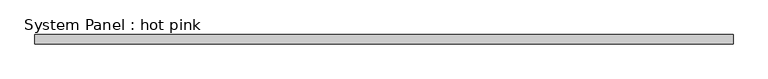
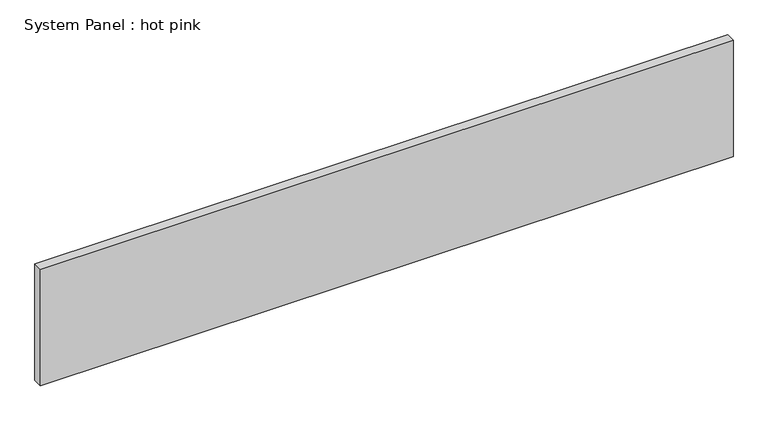
"""IFC4 building model written with IfcOpenShell, lengths in millimetres: plate geometry, System Panel : hot pink."""

from ifc_helpers import new_model, si_unit, origin, origin_with_axes, place, context, project, spatial, polyline, outline, extrude, source, transform, mapped, element, save


def system_panel_hot_pink_bdcc1542(model_context):
    return source(origin(), model_context, "Body", "SweptSolid", [
        extrude(outline(polyline([(2390.775, -19.05), (-2390.775, -19.05), (-2390.775, 44.45), (2390.775, 44.45), (2390.775, -19.05)])), origin_with_axes(), (0.0, 0.0, 1.0), 850.9),
    ])


if __name__ == "__main__":
    model = new_model("IFC4")
    model_context = context("Model", 3, world=origin())
    ifc_project = project(units=[si_unit("LENGTHUNIT", "METRE", prefix="MILLI")], contexts=[model_context])
    site = spatial("IfcSite", under=ifc_project)
    building = spatial("IfcBuilding", under=site)
    placement = place(None, origin())
    system_panel_hot_pink_shape = system_panel_hot_pink_bdcc1542(model_context)
    element("IfcPlate", 1, ObjectType="System Panel : hot pink", at=placement, inside=building, context=model_context, shape_type="MappedRepresentation", body=[
        mapped(system_panel_hot_pink_shape, transform((0.0, 0.0, 0.0), x_axis=(1.0, 0.0, 0.0), y_axis=(0.0, 1.0, 0.0), z_axis=(0.0, 0.0, 1.0))),
    ])
    save(model, "model.ifc")
